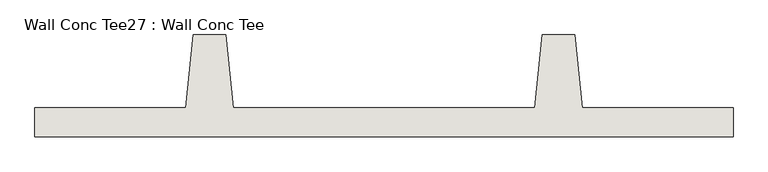
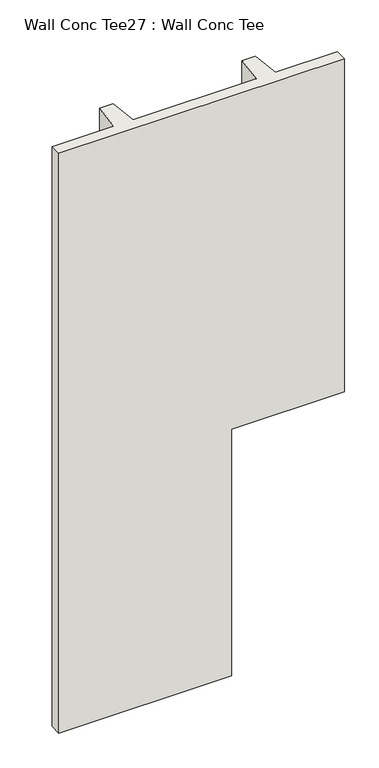
"""IFC4 building model written with IfcOpenShell, lengths in millimetres: wall geometry, Wall Conc Tee27 : Wall Conc Tee."""

from ifc_helpers import new_model, si_unit, origin, place, context, project, spatial, faceted_brep, source, transform, mapped, element, save


def wall_conc_tee27_wall_conc_tee_d9f41efc(model_context):
    return source(origin(), model_context, "Body", "Brep", [
        faceted_brep([(234557.0728488, 180886.8596581, 5376.1679688), (236995.4728488, 180886.8596581, 5376.1679688), (236995.4728488, 180988.4596581, 5376.1679688), (236468.4228488, 180988.4596581, 5376.1679688), (236443.0228488, 181242.4596581, 5376.1679688), (236328.7228488, 181242.4596581, 5376.1679688), (236303.3228488, 180988.4596581, 5376.1679688), (235249.2228488, 180988.4596581, 5376.1679688), (235223.8228488, 181242.4596581, 5376.1679688), (235109.5228488, 181242.4596581, 5376.1679688), (235084.1228488, 180988.4596581, 5376.1679688), (234557.0728488, 180988.4596581, 5376.1679688), (235223.8228488, 181242.4596581, 143.7592564), (235249.2228488, 180988.4596581, 143.7592564), (236030.2728488, 180988.4596581, 143.7592564), (236030.2728488, 180886.8596581, 143.7592564), (234557.0728488, 180886.8596581, 143.7592564), (234557.0728488, 180988.4596581, 143.7592564), (235084.1228488, 180988.4596581, 143.7592564), (235109.5228488, 181242.4596581, 143.7592564), (236030.2728488, 180886.8596581, 2370.1659925), (236995.4728488, 180886.8596581, 2370.1659925), (236303.3228488, 180988.4596581, 2370.1659925), (236030.2728488, 180988.4596581, 2370.1659925), (236328.7228488, 181242.4596581, 2370.1659925), (236443.0228488, 181242.4596581, 2370.1659925), (236468.4228488, 180988.4596581, 2370.1659925), (236995.4728488, 180988.4596581, 2370.1659925)], [[[0, 1, 2, 3, 4, 5, 6, 7, 8, 9, 10, 11]], [[12, 13, 14, 15, 16, 17, 18, 19]], [[1, 0, 16, 15, 20, 21]], [[0, 11, 17, 16]], [[11, 10, 18, 17]], [[10, 9, 19, 18]], [[9, 8, 12, 19]], [[8, 7, 13, 12]], [[7, 6, 22, 23, 14, 13]], [[6, 5, 24, 22]], [[5, 4, 25, 24]], [[4, 3, 26, 25]], [[3, 2, 27, 26]], [[2, 1, 21, 27]], [[21, 20, 23, 22, 24, 25, 26, 27]], [[15, 14, 23, 20]]]),
    ])


if __name__ == "__main__":
    model = new_model("IFC4")
    model_context = context("Model", 3, world=origin())
    ifc_project = project(units=[si_unit("LENGTHUNIT", "METRE", prefix="MILLI")], contexts=[model_context])
    site = spatial("IfcSite", under=ifc_project)
    building = spatial("IfcBuilding", under=site)
    placement = place(None, origin())
    wall_conc_tee27_wall_conc_tee_shape = wall_conc_tee27_wall_conc_tee_d9f41efc(model_context)
    element("IfcWall", 1, ObjectType="Wall Conc Tee27 : Wall Conc Tee", at=placement, inside=building, context=model_context, shape_type="MappedRepresentation", body=[
        mapped(wall_conc_tee27_wall_conc_tee_shape, transform((0.0, 0.0, 0.0), x_axis=(1.0, 0.0, 0.0), y_axis=(0.0, 1.0, 0.0), z_axis=(0.0, 0.0, 1.0))),
    ])
    save(model, "model.ifc")
